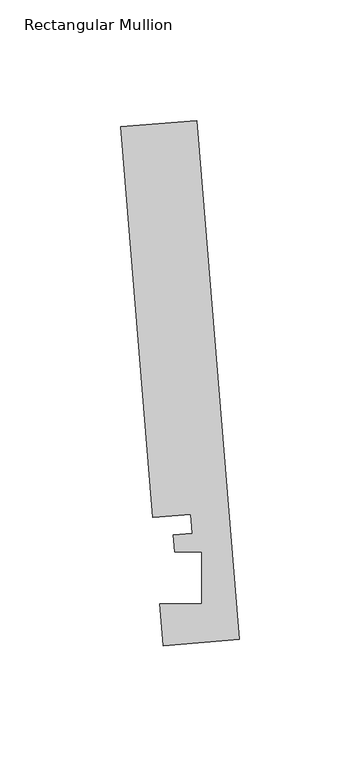
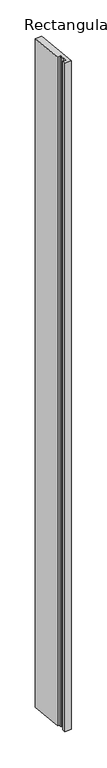
"""IFC4 building model written with IfcOpenShell, lengths in millimetres: member geometry, Rectangular Mullion."""

from ifc_helpers import new_model, si_unit, frame, origin, place, context, project, spatial, polyline, outline, extrude, source, transform, mapped, element, save


def rectangular_mullion_0f2d4374(model_context):
    return source(origin(), model_context, "Body", "SweptSolid", [
        extrude(outline(polyline([(-0.2190396, 2.6699364), (-31.8627302, 0.0739116), (-33.2772473, 17.315866), (-15.8506254, 17.315866), (-15.848851, 38.9474576), (-27.100463, 38.9474576), (-27.6861262, 46.0862742), (-19.7625461, 46.7363188), (-20.4084371, 54.6092691), (-36.2302824, 53.3112566), (-49.5364672, 215.5041572), (-17.8927766, 218.100182), (-0.2190396, 2.6699364)])), frame((0.0, 0.0, -3372.8660547), z_axis=(0.0, 0.0, 1.0), x_axis=(1.0, 0.0, 0.0)), (0.0, 0.0, 1.0), 3372.8660547),
    ])


if __name__ == "__main__":
    model = new_model("IFC4")
    model_context = context("Model", 3, world=origin())
    ifc_project = project(units=[si_unit("LENGTHUNIT", "METRE", prefix="MILLI")], contexts=[model_context])
    site = spatial("IfcSite", under=ifc_project)
    building = spatial("IfcBuilding", under=site)
    placement = place(None, origin())
    rectangular_mullion_shape = rectangular_mullion_0f2d4374(model_context)
    element("IfcMember", 1, ObjectType="Rectangular Mullion", at=placement, inside=building, context=model_context, shape_type="MappedRepresentation", body=[
        mapped(rectangular_mullion_shape, transform((0.0, 0.0, 0.0), x_axis=(1.0, 0.0, 0.0), y_axis=(0.0, 1.0, 0.0), z_axis=(0.0, 0.0, 1.0))),
    ])
    save(model, "model.ifc")
